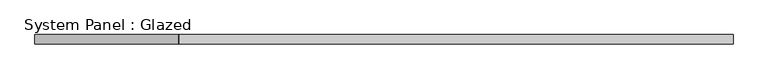
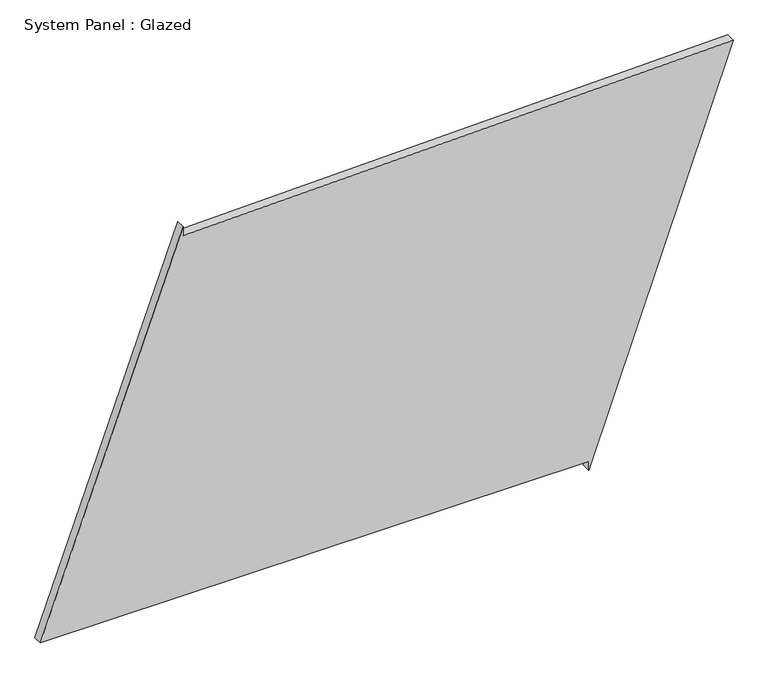
"""IFC4 building model written with IfcOpenShell, lengths in millimetres: plate geometry, System Panel : Glazed."""

from ifc_helpers import new_model, si_unit, frame, origin, place, context, project, spatial, polyline, outline, extrude, source, transform, mapped, element, save


def system_panel_glazed_0128d32c(model_context):
    return source(origin(), model_context, "Body", "SweptSolid", [
        extrude(outline(polyline([(25.0, 546.705639), (0.0, 546.705639), (1093.9726665, 937.029495), (1055.7910077, -549.9548931), (1080.7827703, -550.5966126), (25.0, -937.029495), (25.0, 546.705639)])), frame((0.0, -49.5, 0.0), z_axis=(0.0, 1.0, 0.0), x_axis=(0.0, 0.0, 1.0)), (0.0, 0.0, 1.0), 25.0),
    ])


if __name__ == "__main__":
    model = new_model("IFC4")
    model_context = context("Model", 3, world=origin())
    ifc_project = project(units=[si_unit("LENGTHUNIT", "METRE", prefix="MILLI")], contexts=[model_context])
    site = spatial("IfcSite", under=ifc_project)
    building = spatial("IfcBuilding", under=site)
    placement = place(None, origin())
    system_panel_glazed_shape = system_panel_glazed_0128d32c(model_context)
    element("IfcPlate", 1, ObjectType="System Panel : Glazed", at=placement, inside=building, context=model_context, shape_type="MappedRepresentation", body=[
        mapped(system_panel_glazed_shape, transform((0.0, 0.0, 0.0), x_axis=(1.0, 0.0, 0.0), y_axis=(0.0, 1.0, 0.0), z_axis=(0.0, 0.0, 1.0))),
    ])
    save(model, "model.ifc")
